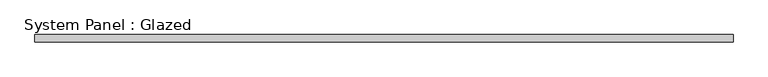
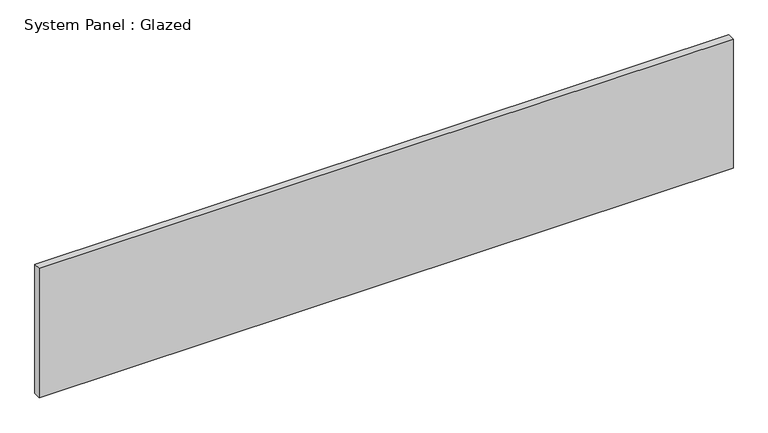
"""IFC4 building model written with IfcOpenShell, lengths in millimetres: plate geometry, System Panel : Glazed."""

import ifcopenshell
import ifcopenshell.guid

model = None  # the IFC model being written
_history = None  # IfcOwnerHistory: only IFC2X3 demands one
_inside = {}  # id of a spatial element -> (the spatial element, [elements in it])
_under = {}  # id of a project, library or spatial element -> (it, [spatial elements below it])
_declared = {}  # id of a project -> (the project, [libraries it declares])
_typed = {}  # id of a type object -> (the type object, [elements of that type])
_made_of = {}  # id of a material, layer set ... -> (it, [elements and type objects made of it])


def new_model(schema):
    """Start an empty IFC model of exactly this schema.

    Asked for "IFC4X3", IfcOpenShell would pick the latest addendum, in which some entities
    have other attributes; the version numbers below select the first issue.
    IFC2X3 requires an IfcOwnerHistory on every rooted entity: one is made here for all.
    """
    global model, _history
    if schema == "IFC4X3":
        model = ifcopenshell.file(schema_version=(4, 3, 0, 0))
    else:
        model = ifcopenshell.file(schema=schema)
    _inside.clear()
    _under.clear()
    _declared.clear()
    _typed.clear()
    _made_of.clear()
    _history = None
    if model.schema == "IFC2X3":
        org = make("IfcOrganization", Name="unknown")
        user = make(
            "IfcPersonAndOrganization",
            ThePerson=make("IfcPerson", FamilyName="unknown"),
            TheOrganization=org,
        )
        app = make(
            "IfcApplication",
            ApplicationDeveloper=org,
            Version="unknown",
            ApplicationFullName="unknown",
            ApplicationIdentifier="unknown",
        )
        _history = make(
            "IfcOwnerHistory",
            OwningUser=user,
            OwningApplication=app,
            ChangeAction="ADDED",
            CreationDate=0,
        )
    return model


def make(cls, **values):
    """One entity of the class cls with the attributes given. An attribute that is None is left unset."""
    return model.create_entity(
        cls, **{name: value for name, value in values.items() if value is not None}
    )


def rooted(cls, **values):
    """An entity with a GlobalId (a new one), such as an element, a storey or a relation."""
    return make(cls, GlobalId=ifcopenshell.guid.new(), OwnerHistory=_history, **values)


def si_unit(unit_type, name, prefix=None):
    """IfcSIUnit, for example si_unit("LENGTHUNIT", "METRE", prefix="MILLI")."""
    return make("IfcSIUnit", UnitType=unit_type, Prefix=prefix, Name=name)


def assignment(units):
    """IfcUnitAssignment: the units of a project."""
    return None if units is None else make("IfcUnitAssignment", Units=units)


def point(xyz):
    """IfcCartesianPoint."""
    return None if xyz is None else make("IfcCartesianPoint", Coordinates=xyz)


def direction(xyz):
    """IfcDirection."""
    return None if xyz is None else make("IfcDirection", DirectionRatios=xyz)


def frame(location, z_axis=None, x_axis=None):
    """IfcAxis2Placement3D, a coordinate frame: its origin and axes. An axis left out is left unset."""
    return make(
        "IfcAxis2Placement3D",
        Location=point(location),
        Axis=direction(z_axis),
        RefDirection=direction(x_axis),
    )


def origin():
    """The frame at (0, 0, 0) with its axes left unset."""
    return frame((0.0, 0.0, 0.0))


def origin_with_axes():
    """The frame at (0, 0, 0) with the z axis (0, 0, 1) and the x axis (1, 0, 0) written out."""
    return frame((0.0, 0.0, 0.0), z_axis=(0.0, 0.0, 1.0), x_axis=(1.0, 0.0, 0.0))


def place(relative_to, where):
    """IfcLocalPlacement: puts the frame where relative to a parent placement (None: the world)."""
    return make(
        "IfcLocalPlacement", PlacementRelTo=relative_to, RelativePlacement=where
    )


def context(
    kind, dimensions, precision=None, world=None, true_north=None, identifier=None
):
    """IfcGeometricRepresentationContext, for example the 3D "Model" context."""
    return make(
        "IfcGeometricRepresentationContext",
        ContextIdentifier=identifier,
        ContextType=kind,
        CoordinateSpaceDimension=dimensions,
        Precision=precision,
        WorldCoordinateSystem=world,
        TrueNorth=true_north,
    )


def project(units=None, contexts=None):
    """IfcProject with its units and contexts."""
    return rooted(
        "IfcProject",
        Name="project",
        RepresentationContexts=contexts,
        UnitsInContext=assignment(units),
    )


def spatial(cls, under=None, at=None, **own):
    """A site, building, storey or space (cls), placed at a placement, below another one or the project."""
    s = rooted(cls, ObjectPlacement=at, **own)
    if under is not None:
        _under.setdefault(under.id(), (under, []))[1].append(s)
    return s


def polyline(points):
    """IfcPolyline through the points."""
    return make("IfcPolyline", Points=[point(p) for p in points])


def outline(outer, holes=None, kind="AREA"):
    """IfcArbitraryClosedProfileDef: a profile drawn as a closed curve; with holes, ...WithVoids."""
    if holes is None:
        return make("IfcArbitraryClosedProfileDef", ProfileType=kind, OuterCurve=outer)
    return make(
        "IfcArbitraryProfileDefWithVoids",
        ProfileType=kind,
        OuterCurve=outer,
        InnerCurves=holes,
    )


def extrude(swept, where, along, depth):
    """IfcExtrudedAreaSolid: the profile swept, set in the frame where, extruded along a direction by depth."""
    return make(
        "IfcExtrudedAreaSolid",
        SweptArea=swept,
        Position=where,
        ExtrudedDirection=direction(along),
        Depth=depth,
    )


def shape(context_of_items, identifier, shape_type, items):
    """IfcShapeRepresentation: the items that make up one representation, for example the "Body"."""
    return make(
        "IfcShapeRepresentation",
        ContextOfItems=context_of_items,
        RepresentationIdentifier=identifier,
        RepresentationType=shape_type,
        Items=items,
    )


def source(mapping_origin, context_of_items, identifier, shape_type, items):
    """IfcRepresentationMap: a shape defined once, which mapped items show again and again."""
    return make(
        "IfcRepresentationMap",
        MappingOrigin=mapping_origin,
        MappedRepresentation=shape(context_of_items, identifier, shape_type, items),
    )


def transform(
    local_origin,
    x_axis=None,
    y_axis=None,
    z_axis=None,
    scale=None,
    scale2=None,
    scale3=None,
    uniform=True,
):
    """IfcCartesianTransformationOperator3D, or its non-uniform kind. x_axis, y_axis, z_axis: its Axis1, 2, 3."""
    if uniform:
        return make(
            "IfcCartesianTransformationOperator3D",
            Axis1=direction(x_axis),
            Axis2=direction(y_axis),
            LocalOrigin=point(local_origin),
            Scale=scale,
            Axis3=direction(z_axis),
        )
    return make(
        "IfcCartesianTransformationOperator3DnonUniform",
        Axis1=direction(x_axis),
        Axis2=direction(y_axis),
        LocalOrigin=point(local_origin),
        Scale=scale,
        Axis3=direction(z_axis),
        Scale2=scale2,
        Scale3=scale3,
    )


def mapped(mapping_source, mapping_target):
    """IfcMappedItem: shows the shape of a source again, moved by a transform."""
    return make(
        "IfcMappedItem", MappingSource=mapping_source, MappingTarget=mapping_target
    )


def made_of(thing, what):
    """Note that an element or type object is made of a material, layer set ...; save() writes the relation."""
    if what is not None:
        _made_of.setdefault(what.id(), (what, []))[1].append(thing)
    return thing


def element(
    cls,
    number,
    at=None,
    inside=None,
    cuts=None,
    type_object=None,
    material=None,
    context=None,
    identifier="Body",
    shape_type=None,
    held_by="IfcProductDefinitionShape",
    body=None,
    shapes=None,
    **own,
):
    """One element of the class cls, such as IfcWall. Its Tag is "e" and its number.

    at: its placement. inside: the storey or other place that contains it. cuts: it is an
    opening in that element (IfcRelVoidsElement). A single representation is given by context,
    identifier, shape_type and body (its items); several are given by shapes. held_by: the class
    of the entity that holds the representations. save() writes the other relations.
    """
    e = rooted(cls, Tag="e%d" % number, ObjectPlacement=at, **own)
    if body is not None:
        shapes = [shape(context, identifier, shape_type, body)]
    if shapes is not None:
        e.Representation = make(held_by, Representations=shapes)
    if inside is not None:
        _inside.setdefault(inside.id(), (inside, []))[1].append(e)
    if cuts is not None:
        rooted(
            "IfcRelVoidsElement", RelatingBuildingElement=cuts, RelatedOpeningElement=e
        )
    if type_object is not None:
        _typed.setdefault(type_object.id(), (type_object, []))[1].append(e)
    return made_of(e, material)


def aggregate(whole, parts):
    """IfcRelAggregates: a whole, such as a stair, and the parts it consists of."""
    return rooted("IfcRelAggregates", RelatingObject=whole, RelatedObjects=parts)


def save(model, path):
    """Write the relations noted so far, then the file.

    IfcRelAggregates (storeys below a building ...), IfcRelContainedInSpatialStructure (elements
    in a storey), IfcRelDefinesByType, IfcRelAssociatesMaterial and IfcRelDeclares: one each for
    every whole, place, type object, material and project.
    """
    for whole, parts in _under.values():
        aggregate(whole, parts)
    for where, things in _inside.values():
        rooted(
            "IfcRelContainedInSpatialStructure",
            RelatedElements=things,
            RelatingStructure=where,
        )
    for kind, things in _typed.values():
        rooted("IfcRelDefinesByType", RelatedObjects=things, RelatingType=kind)
    for what, things in _made_of.values():
        rooted("IfcRelAssociatesMaterial", RelatedObjects=things, RelatingMaterial=what)
    for by, libraries in _declared.values():
        rooted("IfcRelDeclares", RelatingContext=by, RelatedDefinitions=libraries)
    model.write(path)


def system_panel_glazed_13a5108f(model_context):
    return source(origin(), model_context, "Body", "SweptSolid", [
        extrude(outline(polyline([(1175.0, 24.5), (-1175.0, 24.5), (-1175.0, 49.5), (1175.0, 49.5), (1175.0, 24.5)])), origin_with_axes(), (0.0, 0.0, 1.0), 462.5333333),
    ])


if __name__ == "__main__":
    model = new_model("IFC4")
    model_context = context("Model", 3, world=origin())
    ifc_project = project(units=[si_unit("LENGTHUNIT", "METRE", prefix="MILLI")], contexts=[model_context])
    site = spatial("IfcSite", under=ifc_project)
    building = spatial("IfcBuilding", under=site)
    placement = place(None, origin())
    system_panel_glazed_shape = system_panel_glazed_13a5108f(model_context)
    element("IfcPlate", 1, ObjectType="System Panel : Glazed", at=placement, inside=building, context=model_context, shape_type="MappedRepresentation", body=[
        mapped(system_panel_glazed_shape, transform((0.0, 0.0, 0.0), x_axis=(1.0, 0.0, 0.0), y_axis=(0.0, 1.0, 0.0), z_axis=(0.0, 0.0, 1.0))),
    ])
    save(model, "model.ifc")
